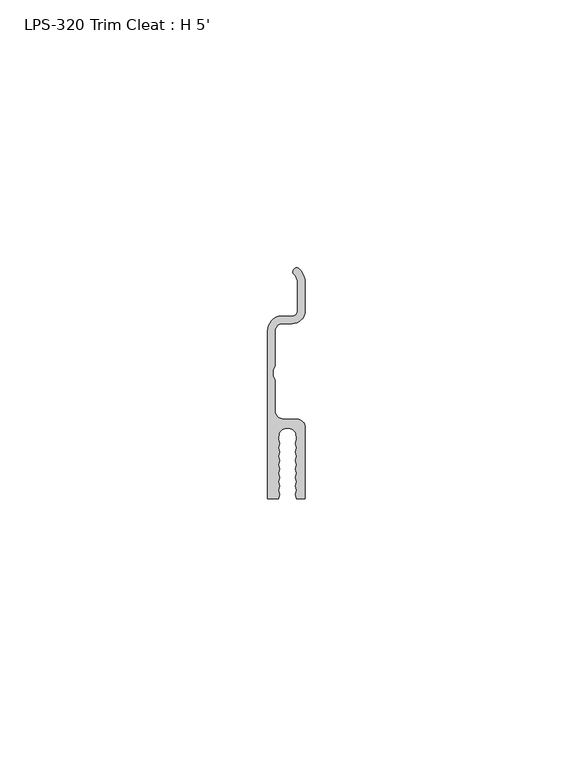
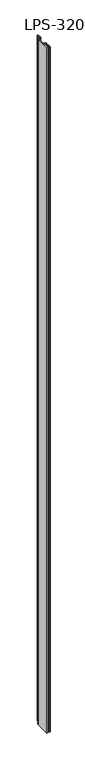
"""IFC4 building model written with IfcOpenShell, lengths in millimetres: proxy geometry, LPS-320 Trim Cleat : H 5'."""

from ifc_helpers import new_model, si_unit, point, frame_2d, origin, origin_with_axes, place, context, project, spatial, polyline, circle_curve, trimmed, segment, composite_curve, outline, extrude, source, transform, mapped, element, save


def lps_320_trim_cleat_h_5_56f30e42(model_context):
    return source(origin(), model_context, "Body", "SweptSolid", [
        extrude(outline(composite_curve([segment(trimmed(circle_curve(frame_2d((-0.5264529, -5.112905)), 1.5875), [point((-2.1139529, -5.112905))], [point((-0.5264529, -6.700405))], True, "CARTESIAN"), True, "CONTINUOUS"), segment(polyline([(-0.5264529, -6.700405), (1.9234529, -6.700405)]), True, "CONTINUOUS"), segment(trimmed(circle_curve(frame_2d((1.9234529, -8.287905)), 1.5875), [point((1.9234529, -6.700405))], [point((3.5109529, -8.287905))], False, "CARTESIAN"), True, "CONTINUOUS"), segment(polyline([(3.5109529, -8.287905), (3.5109529, -21.5613778), (1.8781256, -21.5613778), (1.7329529, -20.7690222), (1.8781256, -19.9766667), (1.7329529, -19.1843112), (1.8781256, -18.3919557), (1.7329529, -17.5996002), (1.8781256, -16.8072447), (1.7329529, -16.0148891), (1.8781256, -15.2225336), (1.7329529, -14.4301781), (1.8781256, -13.6378226), (1.7329529, -12.8454671), (1.8781256, -12.0531116), (1.7329529, -11.260756), (1.8781256, -10.4684005), (1.7947896, -9.3385388)]), True, "CONTINUOUS"), segment(trimmed(circle_curve(frame_2d((0.2051903, -10.224684)), 1.8199119), [point((1.7947896, -9.3385388))], [point((-1.3787348, -9.3284358))], True, "CARTESIAN"), True, "CONTINUOUS"), segment(polyline([(-1.3787348, -9.3284358), (-1.4602197, -10.4684005), (-1.315047, -11.260756), (-1.4602197, -12.0531116), (-1.315047, -12.8454671), (-1.4602197, -13.6378226), (-1.315047, -14.4301781), (-1.4602197, -15.2225336), (-1.315047, -16.0148891), (-1.4602197, -16.8072447), (-1.315047, -17.5996002), (-1.4602197, -18.3919557), (-1.315047, -19.1843112), (-1.4602197, -19.9766667), (-1.315047, -20.7690222), (-1.4602197, -21.5613778), (-3.5109529, -21.5613778), (-3.5109529, 9.7115431)]), True, "CONTINUOUS"), segment(trimmed(circle_curve(frame_2d((-0.5264529, 9.7115431)), 2.9845), [point((-3.5109529, 9.7115431))], [point((-1.9760611, 12.3203506))], False, "CARTESIAN"), True, "CONTINUOUS"), segment(trimmed(circle_curve(frame_2d((-1.2210311, 10.9615505)), 1.55448), [point((-1.9760611, 12.3203506))], [point((-1.2210311, 12.5160305))], False, "CARTESIAN"), True, "CONTINUOUS"), segment(polyline([(-1.2210311, 12.5160305), (1.0659086, 12.5160305)]), True, "CONTINUOUS"), segment(trimmed(circle_curve(frame_2d((1.041874, 13.5898795)), 1.0741179), [point((1.0659086, 12.5160305))], [point((2.1139529, 13.523728))], True, "CARTESIAN"), True, "CONTINUOUS"), segment(polyline([(2.1139529, 13.523728), (2.1139529, 18.5410704)]), True, "CONTINUOUS"), segment(trimmed(circle_curve(frame_2d((-0.5911471, 18.5410704)), 2.7051), [point((2.1139529, 18.5410704))], [point((1.2367952, 20.5351098))], True, "CARTESIAN"), True, "CONTINUOUS"), segment(trimmed(circle_curve(frame_2d((1.9778743, 20.7675473)), 0.7766759), [point((1.2367952, 20.5351098))], [point((2.25856, 21.4917303))], False, "CARTESIAN"), True, "CONTINUOUS"), segment(trimmed(circle_curve(frame_2d((-0.5911471, 18.5410704)), 4.1021), [point((2.25856, 21.4917303))], [point((3.5109529, 18.5410704))], False, "CARTESIAN"), True, "CONTINUOUS"), segment(polyline([(3.5109529, 18.5410704), (3.5109529, 13.4895157)]), True, "CONTINUOUS"), segment(trimmed(circle_curve(frame_2d((1.041874, 13.5898795)), 2.4711179), [point((3.5109529, 13.4895157))], [point((1.0783304, 11.1190305))], False, "CARTESIAN"), True, "CONTINUOUS"), segment(polyline([(1.0783304, 11.1190305), (-1.0293528, 11.1190305)]), True, "CONTINUOUS"), segment(trimmed(circle_curve(frame_2d((-0.6584036, 9.7115431)), 1.4555494), [point((-1.0293528, 11.1190305))], [point((-2.1139529, 9.7115431))], True, "CARTESIAN"), True, "CONTINUOUS"), segment(polyline([(-2.1139529, 9.7115431), (-2.1139529, 3.171127), (-2.5000324, 2.445017), (-2.5000324, 1.357237), (-2.1139529, 0.631127), (-2.1139529, -5.112905)]), True, "CONTINUOUS")], self_intersect=False)), origin_with_axes(), (0.0, 0.0, 1.0), 1524.0),
    ])


if __name__ == "__main__":
    model = new_model("IFC4")
    model_context = context("Model", 3, world=origin())
    ifc_project = project(units=[si_unit("LENGTHUNIT", "METRE", prefix="MILLI")], contexts=[model_context])
    site = spatial("IfcSite", under=ifc_project)
    building = spatial("IfcBuilding", under=site)
    placement = place(None, origin())
    lps_320_trim_cleat_h_5_shape = lps_320_trim_cleat_h_5_56f30e42(model_context)
    element("IfcBuildingElementProxy", 1, Name="LPS-320 Trim Cleat : H 5'", ObjectType="LPS-320 Trim Cleat : H 5'", at=placement, inside=building, context=model_context, shape_type="MappedRepresentation", body=[
        mapped(lps_320_trim_cleat_h_5_shape, transform((0.0, 0.0, 0.0), x_axis=(1.0, 0.0, 0.0), y_axis=(0.0, 1.0, 0.0), z_axis=(0.0, 0.0, 1.0))),
    ])
    save(model, "model.ifc")
